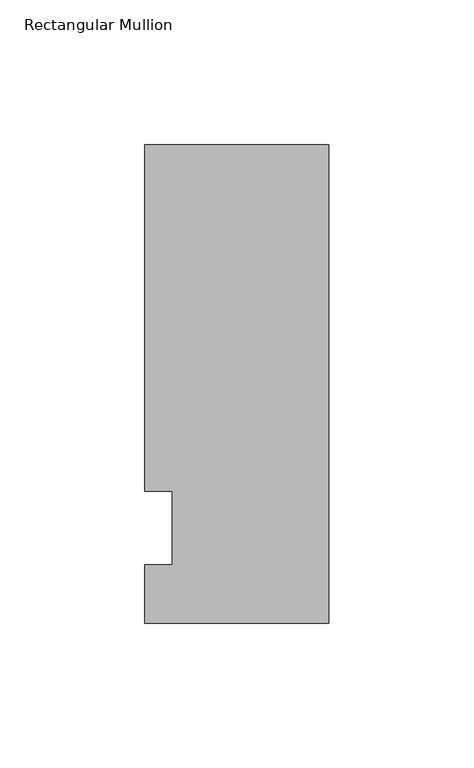
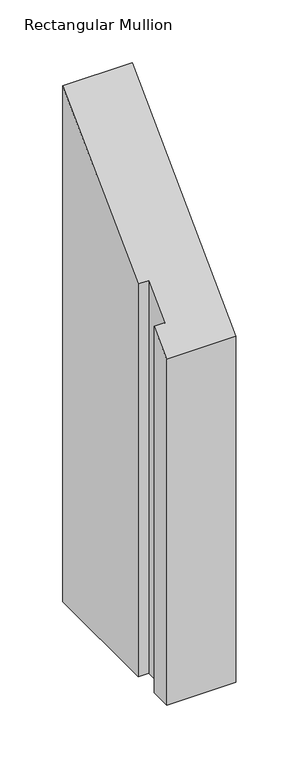
"""IFC4 building model written with IfcOpenShell, lengths in millimetres: member geometry, Rectangular Mullion."""

import ifcopenshell
import ifcopenshell.guid

model = None  # the IFC model being written
_history = None  # IfcOwnerHistory: only IFC2X3 demands one
_inside = {}  # id of a spatial element -> (the spatial element, [elements in it])
_under = {}  # id of a project, library or spatial element -> (it, [spatial elements below it])
_declared = {}  # id of a project -> (the project, [libraries it declares])
_typed = {}  # id of a type object -> (the type object, [elements of that type])
_made_of = {}  # id of a material, layer set ... -> (it, [elements and type objects made of it])


def new_model(schema):
    """Start an empty IFC model of exactly this schema.

    Asked for "IFC4X3", IfcOpenShell would pick the latest addendum, in which some entities
    have other attributes; the version numbers below select the first issue.
    IFC2X3 requires an IfcOwnerHistory on every rooted entity: one is made here for all.
    """
    global model, _history
    if schema == "IFC4X3":
        model = ifcopenshell.file(schema_version=(4, 3, 0, 0))
    else:
        model = ifcopenshell.file(schema=schema)
    _inside.clear()
    _under.clear()
    _declared.clear()
    _typed.clear()
    _made_of.clear()
    _history = None
    if model.schema == "IFC2X3":
        org = make("IfcOrganization", Name="unknown")
        user = make(
            "IfcPersonAndOrganization",
            ThePerson=make("IfcPerson", FamilyName="unknown"),
            TheOrganization=org,
        )
        app = make(
            "IfcApplication",
            ApplicationDeveloper=org,
            Version="unknown",
            ApplicationFullName="unknown",
            ApplicationIdentifier="unknown",
        )
        _history = make(
            "IfcOwnerHistory",
            OwningUser=user,
            OwningApplication=app,
            ChangeAction="ADDED",
            CreationDate=0,
        )
    return model


def make(cls, **values):
    """One entity of the class cls with the attributes given. An attribute that is None is left unset."""
    return model.create_entity(
        cls, **{name: value for name, value in values.items() if value is not None}
    )


def rooted(cls, **values):
    """An entity with a GlobalId (a new one), such as an element, a storey or a relation."""
    return make(cls, GlobalId=ifcopenshell.guid.new(), OwnerHistory=_history, **values)


def si_unit(unit_type, name, prefix=None):
    """IfcSIUnit, for example si_unit("LENGTHUNIT", "METRE", prefix="MILLI")."""
    return make("IfcSIUnit", UnitType=unit_type, Prefix=prefix, Name=name)


def assignment(units):
    """IfcUnitAssignment: the units of a project."""
    return None if units is None else make("IfcUnitAssignment", Units=units)


def point(xyz):
    """IfcCartesianPoint."""
    return None if xyz is None else make("IfcCartesianPoint", Coordinates=xyz)


def direction(xyz):
    """IfcDirection."""
    return None if xyz is None else make("IfcDirection", DirectionRatios=xyz)


def frame(location, z_axis=None, x_axis=None):
    """IfcAxis2Placement3D, a coordinate frame: its origin and axes. An axis left out is left unset."""
    return make(
        "IfcAxis2Placement3D",
        Location=point(location),
        Axis=direction(z_axis),
        RefDirection=direction(x_axis),
    )


def origin():
    """The frame at (0, 0, 0) with its axes left unset."""
    return frame((0.0, 0.0, 0.0))


def place(relative_to, where):
    """IfcLocalPlacement: puts the frame where relative to a parent placement (None: the world)."""
    return make(
        "IfcLocalPlacement", PlacementRelTo=relative_to, RelativePlacement=where
    )


def context(
    kind, dimensions, precision=None, world=None, true_north=None, identifier=None
):
    """IfcGeometricRepresentationContext, for example the 3D "Model" context."""
    return make(
        "IfcGeometricRepresentationContext",
        ContextIdentifier=identifier,
        ContextType=kind,
        CoordinateSpaceDimension=dimensions,
        Precision=precision,
        WorldCoordinateSystem=world,
        TrueNorth=true_north,
    )


def project(units=None, contexts=None):
    """IfcProject with its units and contexts."""
    return rooted(
        "IfcProject",
        Name="project",
        RepresentationContexts=contexts,
        UnitsInContext=assignment(units),
    )


def spatial(cls, under=None, at=None, **own):
    """A site, building, storey or space (cls), placed at a placement, below another one or the project."""
    s = rooted(cls, ObjectPlacement=at, **own)
    if under is not None:
        _under.setdefault(under.id(), (under, []))[1].append(s)
    return s


def faces_of(points, faces, orient=None, outer=None):
    """IfcFace entities. A face is a list of loops; a loop is a list of indices into points, from 0.

    orient and outer hold one flag for each loop. By default every Orientation is true, the
    first loop of a face is its IfcFaceOuterBound and the others are IfcFaceBound.
    """
    made = []
    for i, loops in enumerate(faces):
        bounds = []
        for j, loop in enumerate(loops):
            is_outer = j == 0 if outer is None else outer[i][j]
            bounds.append(
                make(
                    "IfcFaceOuterBound" if is_outer else "IfcFaceBound",
                    Bound=make("IfcPolyLoop", Polygon=[points[k] for k in loop]),
                    Orientation=True if orient is None else orient[i][j],
                )
            )
        made.append(make("IfcFace", Bounds=bounds))
    return made


def faceted_brep(points, faces, orient=None, outer=None, voids=None):
    """IfcFacetedBrep: a solid bounded by flat faces; with voids (closed shells), ...WithVoids."""
    shared = [point(p) for p in points]
    hull = make("IfcClosedShell", CfsFaces=faces_of(shared, faces, orient, outer))
    if voids is None:
        return make("IfcFacetedBrep", Outer=hull)
    return make(
        "IfcFacetedBrepWithVoids",
        Outer=hull,
        Voids=[
            make(cls, CfsFaces=faces_of(shared, fs, o, b)) for cls, fs, o, b in voids
        ],
    )


def shape(context_of_items, identifier, shape_type, items):
    """IfcShapeRepresentation: the items that make up one representation, for example the "Body"."""
    return make(
        "IfcShapeRepresentation",
        ContextOfItems=context_of_items,
        RepresentationIdentifier=identifier,
        RepresentationType=shape_type,
        Items=items,
    )


def source(mapping_origin, context_of_items, identifier, shape_type, items):
    """IfcRepresentationMap: a shape defined once, which mapped items show again and again."""
    return make(
        "IfcRepresentationMap",
        MappingOrigin=mapping_origin,
        MappedRepresentation=shape(context_of_items, identifier, shape_type, items),
    )


def transform(
    local_origin,
    x_axis=None,
    y_axis=None,
    z_axis=None,
    scale=None,
    scale2=None,
    scale3=None,
    uniform=True,
):
    """IfcCartesianTransformationOperator3D, or its non-uniform kind. x_axis, y_axis, z_axis: its Axis1, 2, 3."""
    if uniform:
        return make(
            "IfcCartesianTransformationOperator3D",
            Axis1=direction(x_axis),
            Axis2=direction(y_axis),
            LocalOrigin=point(local_origin),
            Scale=scale,
            Axis3=direction(z_axis),
        )
    return make(
        "IfcCartesianTransformationOperator3DnonUniform",
        Axis1=direction(x_axis),
        Axis2=direction(y_axis),
        LocalOrigin=point(local_origin),
        Scale=scale,
        Axis3=direction(z_axis),
        Scale2=scale2,
        Scale3=scale3,
    )


def mapped(mapping_source, mapping_target):
    """IfcMappedItem: shows the shape of a source again, moved by a transform."""
    return make(
        "IfcMappedItem", MappingSource=mapping_source, MappingTarget=mapping_target
    )


def made_of(thing, what):
    """Note that an element or type object is made of a material, layer set ...; save() writes the relation."""
    if what is not None:
        _made_of.setdefault(what.id(), (what, []))[1].append(thing)
    return thing


def element(
    cls,
    number,
    at=None,
    inside=None,
    cuts=None,
    type_object=None,
    material=None,
    context=None,
    identifier="Body",
    shape_type=None,
    held_by="IfcProductDefinitionShape",
    body=None,
    shapes=None,
    **own,
):
    """One element of the class cls, such as IfcWall. Its Tag is "e" and its number.

    at: its placement. inside: the storey or other place that contains it. cuts: it is an
    opening in that element (IfcRelVoidsElement). A single representation is given by context,
    identifier, shape_type and body (its items); several are given by shapes. held_by: the class
    of the entity that holds the representations. save() writes the other relations.
    """
    e = rooted(cls, Tag="e%d" % number, ObjectPlacement=at, **own)
    if body is not None:
        shapes = [shape(context, identifier, shape_type, body)]
    if shapes is not None:
        e.Representation = make(held_by, Representations=shapes)
    if inside is not None:
        _inside.setdefault(inside.id(), (inside, []))[1].append(e)
    if cuts is not None:
        rooted(
            "IfcRelVoidsElement", RelatingBuildingElement=cuts, RelatedOpeningElement=e
        )
    if type_object is not None:
        _typed.setdefault(type_object.id(), (type_object, []))[1].append(e)
    return made_of(e, material)


def aggregate(whole, parts):
    """IfcRelAggregates: a whole, such as a stair, and the parts it consists of."""
    return rooted("IfcRelAggregates", RelatingObject=whole, RelatedObjects=parts)


def save(model, path):
    """Write the relations noted so far, then the file.

    IfcRelAggregates (storeys below a building ...), IfcRelContainedInSpatialStructure (elements
    in a storey), IfcRelDefinesByType, IfcRelAssociatesMaterial and IfcRelDeclares: one each for
    every whole, place, type object, material and project.
    """
    for whole, parts in _under.values():
        aggregate(whole, parts)
    for where, things in _inside.values():
        rooted(
            "IfcRelContainedInSpatialStructure",
            RelatedElements=things,
            RelatingStructure=where,
        )
    for kind, things in _typed.values():
        rooted("IfcRelDefinesByType", RelatedObjects=things, RelatingType=kind)
    for what, things in _made_of.values():
        rooted("IfcRelAssociatesMaterial", RelatedObjects=things, RelatingMaterial=what)
    for by, libraries in _declared.values():
        rooted("IfcRelDeclares", RelatingContext=by, RelatedDefinitions=libraries)
    model.write(path)


def rectangular_mullion_f3dcd89b(model_context):
    return source(origin(), model_context, "Body", "Brep", [
        faceted_brep([(0.0, -20.0421875, -20.0421875), (-63.5, -20.0421875, -20.0421875), (-63.5, -20.0421875, -355.6), (0.0, -20.0421875, -355.6), (0.0, 145.0578125, 145.0578125), (0.0, 145.0578125, -355.6), (-63.5, 145.0578125, 145.0578125), (-63.5, 145.0578125, -355.6), (-63.5, 25.4, 25.4), (-63.5, 25.4, -355.6), (-53.975, 25.4, 25.4), (-53.975, 25.4, -355.6), (-53.975, 0.0, 0.0), (-53.975, 0.0, -355.6), (-63.5, 0.0, 0.0), (-63.5, 0.0, -355.6)], [[[0, 1, 2, 3]], [[4, 0, 3, 5]], [[6, 4, 5, 7]], [[8, 6, 7, 9]], [[10, 8, 9, 11]], [[12, 10, 11, 13]], [[14, 12, 13, 15]], [[1, 14, 15, 2]], [[1, 0, 4, 6, 8, 10, 12, 14]], [[2, 15, 13, 11, 9, 7, 5, 3]]]),
    ])


if __name__ == "__main__":
    model = new_model("IFC4")
    model_context = context("Model", 3, world=origin())
    ifc_project = project(units=[si_unit("LENGTHUNIT", "METRE", prefix="MILLI")], contexts=[model_context])
    site = spatial("IfcSite", under=ifc_project)
    building = spatial("IfcBuilding", under=site)
    placement = place(None, origin())
    rectangular_mullion_shape = rectangular_mullion_f3dcd89b(model_context)
    element("IfcMember", 1, ObjectType="Rectangular Mullion", at=placement, inside=building, context=model_context, shape_type="MappedRepresentation", body=[
        mapped(rectangular_mullion_shape, transform((0.0, 0.0, 0.0), x_axis=(1.0, 0.0, 0.0), y_axis=(0.0, 1.0, 0.0), z_axis=(0.0, 0.0, 1.0))),
    ])
    save(model, "model.ifc")
